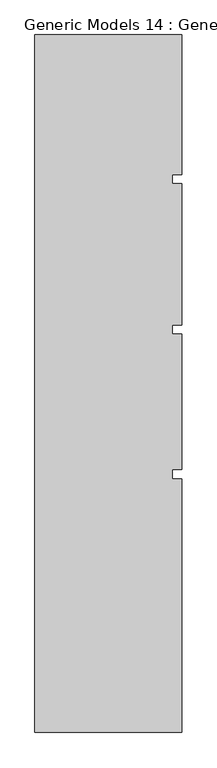
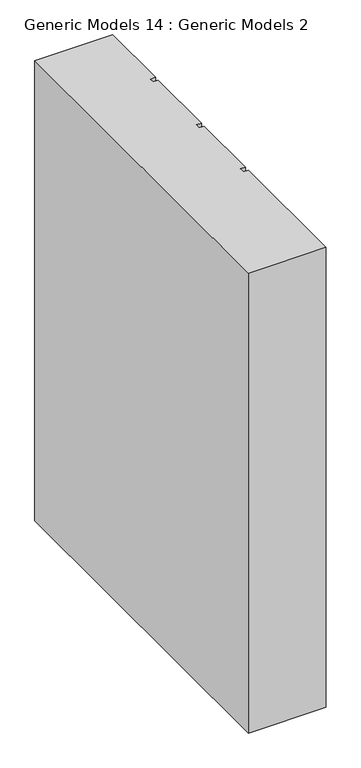
"""IFC4 building model written with IfcOpenShell, lengths in millimetres: proxy geometry, Generic Models 14 : Generic Models 2."""

from ifc_helpers import new_model, si_unit, frame, origin, place, context, project, spatial, polyline, outline, extrude, source, transform, mapped, element, save


def generic_models_14_generic_models_2_56c23a29(model_context):
    return source(origin(), model_context, "Body", "SweptSolid", [
        extrude(outline(polyline([(6158.9891931, -239.4418036), (6646.0314083, -239.4418036), (6646.0314083, -703.851216), (6614.3889077, -703.851216), (6614.3889077, -733.8846489), (6646.0314083, -733.8846489), (6646.0314083, -1203.851216), (6614.3889077, -1203.851216), (6614.3889077, -1233.8846489), (6646.0314083, -1233.8846489), (6646.0314083, -1683.851216), (6614.3889077, -1683.851216), (6614.3889077, -1713.8846489), (6646.0314083, -1713.8846489), (6646.0314083, -2556.8137679), (6158.9891931, -2556.8137679), (6158.9891931, -239.4418036)])), frame((0.0, 0.0, 6000.0), z_axis=(0.0, 0.0, 1.0), x_axis=(1.0, 0.0, 0.0)), (0.0, 0.0, 1.0), 3044.7067261),
    ])


if __name__ == "__main__":
    model = new_model("IFC4")
    model_context = context("Model", 3, world=origin())
    ifc_project = project(units=[si_unit("LENGTHUNIT", "METRE", prefix="MILLI")], contexts=[model_context])
    site = spatial("IfcSite", under=ifc_project)
    building = spatial("IfcBuilding", under=site)
    placement = place(None, origin())
    generic_models_14_generic_models_2_shape = generic_models_14_generic_models_2_56c23a29(model_context)
    element("IfcBuildingElementProxy", 1, Name="Generic Models 14 : Generic Models 2", ObjectType="Generic Models 14 : Generic Models 2", at=placement, inside=building, context=model_context, shape_type="MappedRepresentation", body=[
        mapped(generic_models_14_generic_models_2_shape, transform((0.0, 0.0, 0.0), x_axis=(1.0, 0.0, 0.0), y_axis=(0.0, 1.0, 0.0), z_axis=(0.0, 0.0, 1.0))),
    ])
    save(model, "model.ifc")
